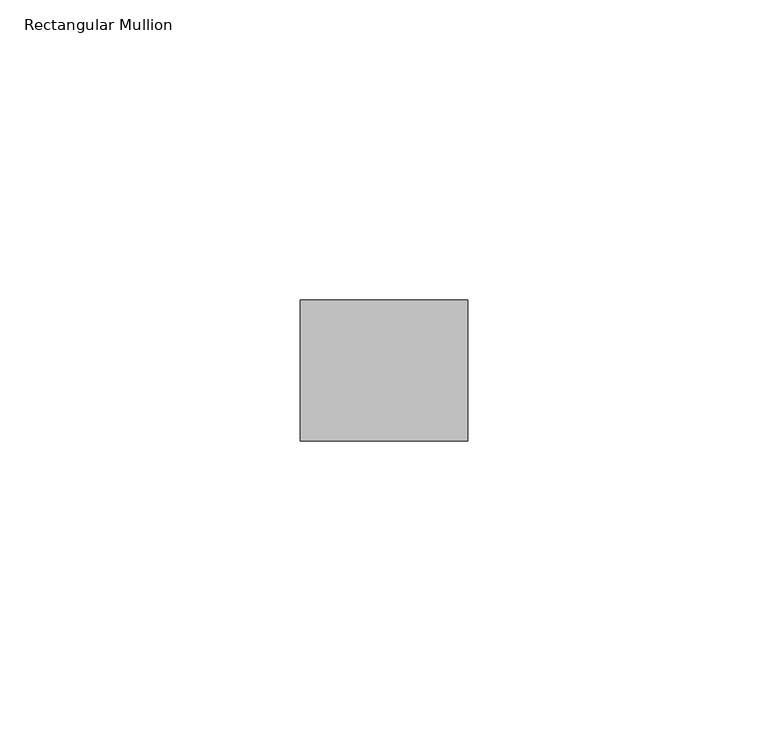
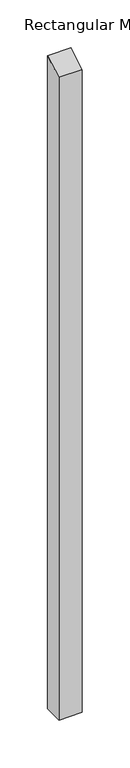
"""IFC4 building model written with IfcOpenShell, lengths in millimetres: member geometry, Rectangular Mullion."""

from ifc_helpers import new_model, si_unit, frame, origin, place, context, project, spatial, polyline, outline, extrude, source, transform, mapped, element, save


def rectangular_mullion_351281fc(model_context):
    return source(origin(), model_context, "Body", "SweptSolid", [
        extrude(outline(polyline([(-11.7474999, -6.7824222), (11.7474999, 6.7824222), (11.7474999, -825.5), (-11.7474999, -825.5), (-11.7474999, -6.7824222)])), frame((-27.94, 0.0, 0.0), z_axis=(1.0, 0.0, 0.0), x_axis=(0.0, 1.0, 0.0)), (0.0, 0.0, 1.0), 27.94),
    ])


if __name__ == "__main__":
    model = new_model("IFC4")
    model_context = context("Model", 3, world=origin())
    ifc_project = project(units=[si_unit("LENGTHUNIT", "METRE", prefix="MILLI")], contexts=[model_context])
    site = spatial("IfcSite", under=ifc_project)
    building = spatial("IfcBuilding", under=site)
    placement = place(None, origin())
    rectangular_mullion_shape = rectangular_mullion_351281fc(model_context)
    element("IfcMember", 1, ObjectType="Rectangular Mullion", at=placement, inside=building, context=model_context, shape_type="MappedRepresentation", body=[
        mapped(rectangular_mullion_shape, transform((0.0, 0.0, 0.0), x_axis=(1.0, 0.0, 0.0), y_axis=(0.0, 1.0, 0.0), z_axis=(0.0, 0.0, 1.0))),
    ])
    save(model, "model.ifc")
